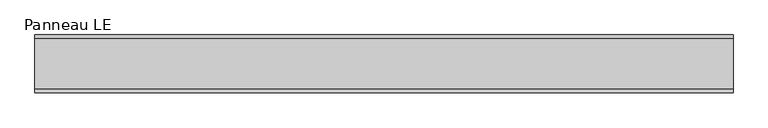
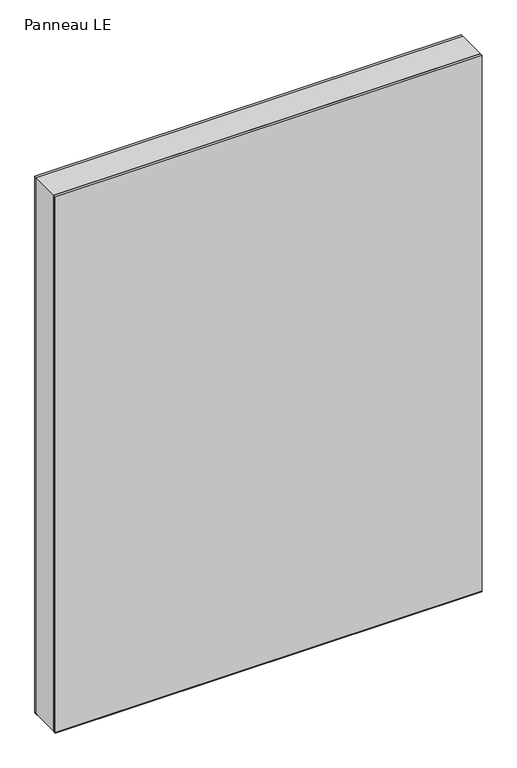
"""IFC4 building model written with IfcOpenShell, lengths in millimetres: plate geometry, Panneau LE."""

from ifc_helpers import new_model, si_unit, frame, origin, origin_with_axes, place, context, project, spatial, polyline, outline, extrude, source, transform, mapped, element, save


def panneau_le_6935c243(model_context):
    return source(origin(), model_context, "Body", "SweptSolid", [
        extrude(outline(polyline([(1446.5, 544.8750001), (1446.5, -544.8750001), (0.0, -544.8750001), (0.0, 544.8750001), (1446.5, 544.8750001)]), holes=[polyline([(60.0, -504.8750001), (1420.5, -504.8750001), (1420.5, 504.8750001), (60.0, 504.8750001), (60.0, -504.8750001)])]), frame((0.0, -39.0, 0.0), z_axis=(0.0, 1.0, 0.0), x_axis=(0.0, 0.0, 1.0)), (0.0, 0.0, 1.0), 78.0),
        extrude(outline(polyline([(-544.8750001, 35.0), (-544.8750001, 45.0), (544.8750001, 45.0), (544.8750001, 35.0), (-544.8750001, 35.0)])), frame((0.0, 0.0, -1.5), z_axis=(0.0, 0.0, 1.0), x_axis=(1.0, 0.0, 0.0)), (0.0, 0.0, 1.0), 1.5),
        extrude(outline(polyline([(-544.8750001, -45.0), (-544.8750001, -35.0), (544.8750001, -35.0), (544.8750001, -45.0), (-544.8750001, -45.0)])), frame((0.0, 0.0, -1.5), z_axis=(0.0, 0.0, 1.0), x_axis=(1.0, 0.0, 0.0)), (0.0, 0.0, 1.0), 1.5),
        extrude(outline(polyline([(544.8750001, 39.0), (-544.8750001, 39.0), (-544.8750001, 45.0), (544.8750001, 45.0), (544.8750001, 39.0)])), origin_with_axes(), (0.0, 0.0, 1.0), 1446.5),
        extrude(outline(polyline([(-544.8750001, -45.0), (-544.8750001, -39.0), (544.8750001, -39.0), (544.8750001, -45.0), (-544.8750001, -45.0)])), origin_with_axes(), (0.0, 0.0, 1.0), 1446.5),
    ])


if __name__ == "__main__":
    model = new_model("IFC4")
    model_context = context("Model", 3, world=origin())
    ifc_project = project(units=[si_unit("LENGTHUNIT", "METRE", prefix="MILLI")], contexts=[model_context])
    site = spatial("IfcSite", under=ifc_project)
    building = spatial("IfcBuilding", under=site)
    placement = place(None, origin())
    panneau_le_shape = panneau_le_6935c243(model_context)
    element("IfcPlate", 1, ObjectType="Panneau LE", at=placement, inside=building, context=model_context, shape_type="MappedRepresentation", body=[
        mapped(panneau_le_shape, transform((0.0, 0.0, 0.0), x_axis=(1.0, 0.0, 0.0), y_axis=(0.0, 1.0, 0.0), z_axis=(0.0, 0.0, 1.0))),
    ])
    save(model, "model.ifc")
